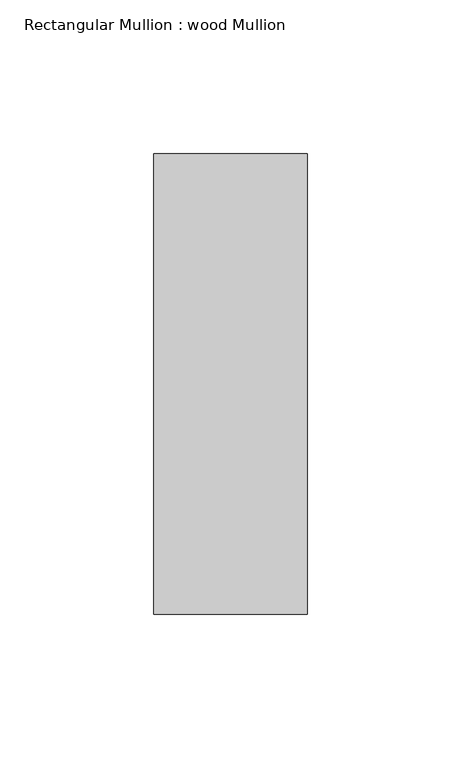
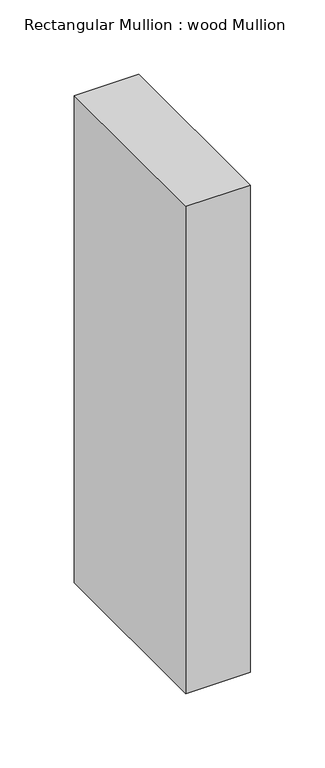
"""IFC4 building model written with IfcOpenShell, lengths in millimetres: member geometry, Rectangular Mullion : wood Mullion."""

from ifc_helpers import new_model, si_unit, frame, origin, place, context, project, spatial, polyline, outline, extrude, source, transform, mapped, element, save


def rectangular_mullion_wood_mullion_e11a3e7b(model_context):
    return source(origin(), model_context, "Body", "SweptSolid", [
        extrude(outline(polyline([(0.0, 75.0), (0.0, -75.0), (-50.0, -75.0), (-50.0, 75.0), (0.0, 75.0)])), frame((0.0, 0.0, -400.0), z_axis=(0.0, 0.0, 1.0), x_axis=(1.0, 0.0, 0.0)), (0.0, 0.0, 1.0), 400.0),
    ])


if __name__ == "__main__":
    model = new_model("IFC4")
    model_context = context("Model", 3, world=origin())
    ifc_project = project(units=[si_unit("LENGTHUNIT", "METRE", prefix="MILLI")], contexts=[model_context])
    site = spatial("IfcSite", under=ifc_project)
    building = spatial("IfcBuilding", under=site)
    placement = place(None, origin())
    rectangular_mullion_wood_mullion_shape = rectangular_mullion_wood_mullion_e11a3e7b(model_context)
    element("IfcMember", 1, ObjectType="Rectangular Mullion : wood Mullion", at=placement, inside=building, context=model_context, shape_type="MappedRepresentation", body=[
        mapped(rectangular_mullion_wood_mullion_shape, transform((0.0, 0.0, 0.0), x_axis=(1.0, 0.0, 0.0), y_axis=(0.0, 1.0, 0.0), z_axis=(0.0, 0.0, 1.0))),
    ])
    save(model, "model.ifc")
